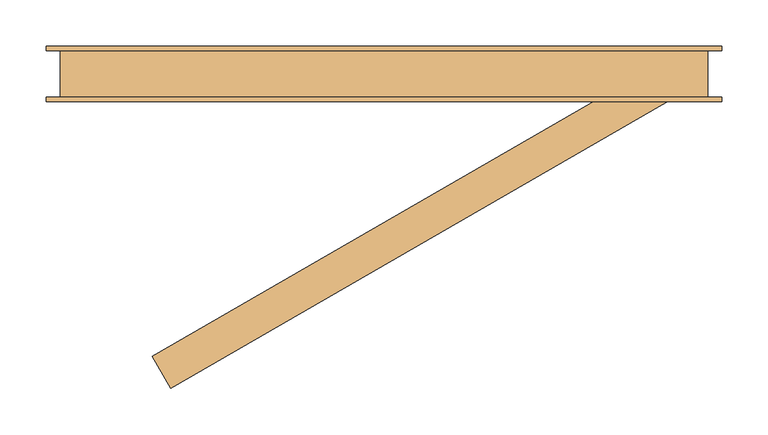
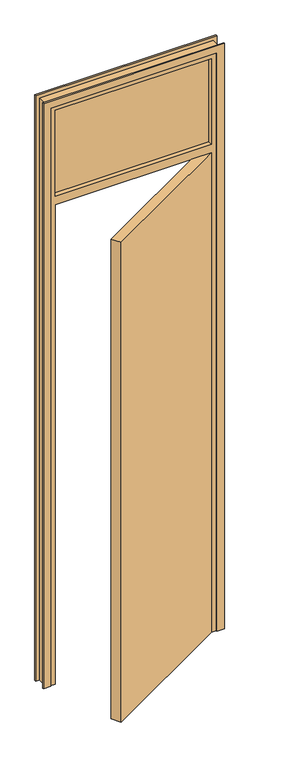
"""IFC4 building model written with IfcOpenShell, lengths in millimetres: door geometry."""

from ifc_helpers import new_model, si_unit, frame, origin, origin_with_axes, place, context, project, spatial, polyline, outline, extrude, faceted_brep, source, transform, mapped, element, save


def door_7928e735(model_context):
    return source(origin(), model_context, "Body", "SolidModel", [
        extrude(outline(polyline([(-285.5960044, -305.3589838), (260.0, 9.6410162), (280.0, -25.0), (-265.5960044, -340.0), (-285.5960044, -305.3589838)])), origin_with_axes(), (0.0, 0.0, 1.0), 2040.0),
        extrude(outline(polyline([(0.0, -400.0), (0.0, -370.0), (2460.0, -370.0), (2460.0, 300.0), (0.0, 300.0), (0.0, 330.0), (2490.0, 330.0), (2490.0, -400.0), (0.0, -400.0)])), frame((0.0, -30.0, 0.0), z_axis=(0.0, 1.0, 0.0), x_axis=(0.0, 0.0, 1.0)), (0.0, 0.0, 1.0), 5.0),
        extrude(outline(polyline([(0.0, -400.0), (0.0, -370.0), (2460.0, -370.0), (2460.0, 300.0), (0.0, 300.0), (0.0, 330.0), (2490.0, 330.0), (2490.0, -400.0), (0.0, -400.0)])), frame((0.0, 25.0, 0.0), z_axis=(0.0, 1.0, 0.0), x_axis=(0.0, 0.0, 1.0)), (0.0, 0.0, 1.0), 5.0),
        extrude(outline(polyline([(280.0, -6.0), (-350.0, -6.0), (-350.0, 6.0), (280.0, 6.0), (280.0, -6.0)])), frame((0.0, 0.0, 2075.0), z_axis=(0.0, 0.0, 1.0), x_axis=(1.0, 0.0, 0.0)), (0.0, 0.0, 1.0), 365.0),
        faceted_brep([(-385.0, -25.0, 0.0), (-385.0, 25.0, 0.0), (-335.0, 25.0, 0.0), (-335.0, 15.0, 0.0), (-350.0, 15.0, 0.0), (-350.0, -25.0, 0.0), (-385.0, -25.0, 2475.0), (-385.0, 25.0, 2475.0), (315.0, 25.0, 2475.0), (315.0, 25.0, 0.0), (265.0, 25.0, 0.0), (265.0, 25.0, 2025.0), (-335.0, 25.0, 2025.0), (-350.0, 25.0, 2075.0), (280.0, 25.0, 2075.0), (280.0, 25.0, 2440.0), (-350.0, 25.0, 2440.0), (-335.0, 15.0, 2025.0), (265.0, 15.0, 2025.0), (265.0, 15.0, 0.0), (280.0, 15.0, 0.0), (280.0, 15.0, 2040.0), (-350.0, 15.0, 2040.0), (-350.0, -25.0, 2040.0), (280.0, -25.0, 2040.0), (280.0, -25.0, 0.0), (315.0, -25.0, 0.0), (315.0, -25.0, 2475.0), (280.0, -25.0, 2075.0), (-350.0, -25.0, 2075.0), (-350.0, -25.0, 2440.0), (280.0, -25.0, 2440.0)], [[[0, 1, 2, 3, 4, 5]], [[1, 0, 6, 7]], [[2, 1, 7, 8, 9, 10, 11, 12], [13, 14, 15, 16]], [[3, 2, 12, 17]], [[4, 3, 17, 18, 19, 20, 21, 22]], [[5, 4, 22, 23]], [[6, 0, 5, 23, 24, 25, 26, 27], [28, 29, 30, 31]], [[9, 8, 27, 26]], [[10, 9, 26, 25, 20, 19]], [[11, 10, 19, 18]], [[21, 20, 25, 24]], [[6, 27, 8, 7]], [[28, 31, 15, 14]], [[31, 30, 16, 15]], [[30, 29, 13, 16]], [[14, 13, 29, 28]], [[12, 11, 18, 17]], [[22, 21, 24, 23]]]),
    ])


if __name__ == "__main__":
    model = new_model("IFC4")
    model_context = context("Model", 3, world=origin())
    ifc_project = project(units=[si_unit("LENGTHUNIT", "METRE", prefix="MILLI")], contexts=[model_context])
    site = spatial("IfcSite", under=ifc_project)
    building = spatial("IfcBuilding", under=site)
    placement = place(None, origin())
    door_shape = door_7928e735(model_context)
    element("IfcDoor", 1, at=placement, inside=building, context=model_context, shape_type="MappedRepresentation", body=[
        mapped(door_shape, transform((0.0, 0.0, 0.0), x_axis=(1.0, 0.0, 0.0), y_axis=(0.0, 1.0, 0.0), z_axis=(0.0, 0.0, 1.0))),
    ])
    save(model, "model.ifc")
